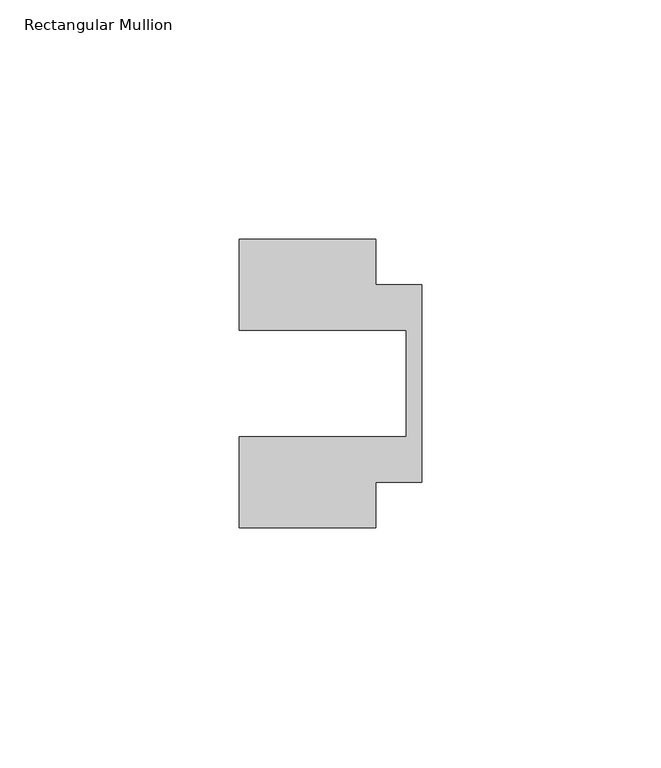
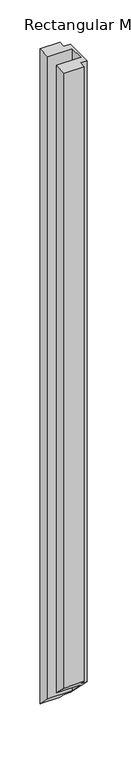
"""IFC4 building model written with IfcOpenShell, lengths in millimetres: member geometry, Rectangular Mullion."""

from ifc_helpers import new_model, si_unit, origin, place, context, project, spatial, faceted_brep, source, transform, mapped, element, save


def rectangular_mullion_0aac353e(model_context):
    return source(origin(), model_context, "Body", "Brep", [
        faceted_brep([(-38.1, 11.1125, 0.0), (-3.175, 11.1125, 0.0), (-3.175, -11.1125, 0.0), (-38.1, -11.1125, 0.0), (-38.1, -30.1625, 0.0), (-9.525, -30.1625, 0.0), (-9.525, -20.6375, 0.0), (0.0, -20.6375, 0.0), (0.0, 20.6375, 0.0), (-9.525, 20.6375, 0.0), (-9.525, 30.1625, 0.0), (-38.1, 30.1625, 0.0), (-38.1, 11.1125, -974.725), (-3.175, 11.1125, -974.725), (-3.175, -11.1125, -952.5), (-38.1, -11.1125, -952.5), (-38.1, -30.1625, -933.45), (-9.525, -30.1625, -933.45), (-9.525, -20.6375, -942.975), (0.0, -20.6375, -942.975), (0.0, 20.6375, -984.25), (-9.525, 20.6375, -984.25), (-9.525, 30.1625, -993.775), (-38.1, 30.1625, -993.775)], [[[0, 1, 2, 3, 4, 5, 6, 7, 8, 9, 10, 11]], [[1, 0, 12, 13]], [[2, 1, 13, 14]], [[3, 2, 14, 15]], [[4, 3, 15, 16]], [[5, 4, 16, 17]], [[6, 5, 17, 18]], [[7, 6, 18, 19]], [[8, 7, 19, 20]], [[9, 8, 20, 21]], [[10, 9, 21, 22]], [[11, 10, 22, 23]], [[0, 11, 23, 12]], [[12, 23, 22, 21, 20, 19, 18, 17, 16, 15, 14, 13]]]),
    ])


if __name__ == "__main__":
    model = new_model("IFC4")
    model_context = context("Model", 3, world=origin())
    ifc_project = project(units=[si_unit("LENGTHUNIT", "METRE", prefix="MILLI")], contexts=[model_context])
    site = spatial("IfcSite", under=ifc_project)
    building = spatial("IfcBuilding", under=site)
    placement = place(None, origin())
    rectangular_mullion_shape = rectangular_mullion_0aac353e(model_context)
    element("IfcMember", 1, ObjectType="Rectangular Mullion", at=placement, inside=building, context=model_context, shape_type="MappedRepresentation", body=[
        mapped(rectangular_mullion_shape, transform((0.0, 0.0, 0.0), x_axis=(1.0, 0.0, 0.0), y_axis=(0.0, 1.0, 0.0), z_axis=(0.0, 0.0, 1.0))),
    ])
    save(model, "model.ifc")
